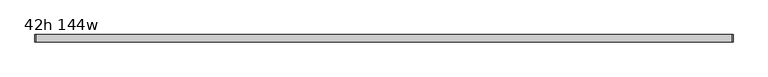
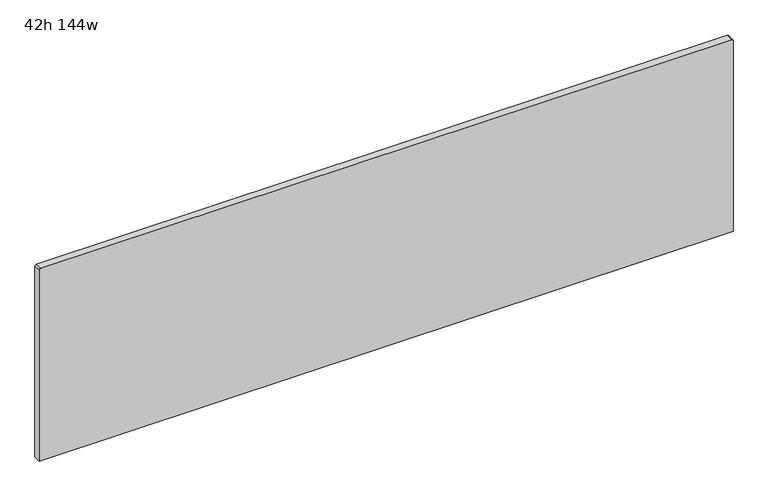
"""IFC4 building model written with IfcOpenShell, lengths in millimetres: furniture geometry, 42h 144w."""

from ifc_helpers import new_model, si_unit, point, frame, frame_2d, origin, place, context, project, spatial, polyline, circle_curve, trimmed, segment, composite_curve, outline, extrude, source, transform, mapped, element, save


def furniture_42h_144w_6010f8c1(model_context):
    return source(origin(), model_context, "Body", "SweptSolid", [
        extrude(outline(composite_curve([segment(polyline([(1066.8, 1781.8479564), (1066.8, -1847.1770436)]), True, "CONTINUOUS"), segment(trimmed(circle_curve(frame_2d((1058.8625, -1847.1770436)), 7.9375), [point((1066.8, -1847.1770436))], [point((1058.8625, -1855.1145436))], False, "CARTESIAN"), True, "CONTINUOUS"), segment(polyline([(1058.8625, -1855.1145436), (0.0, -1855.1145436), (0.0, 1789.7854564), (1058.8625, 1789.7854564)]), True, "CONTINUOUS"), segment(trimmed(circle_curve(frame_2d((1058.8625, 1781.8479564)), 7.9375), [point((1058.8625, 1789.7854564))], [point((1066.8, 1781.8479564))], False, "CARTESIAN"), True, "CONTINUOUS")], self_intersect=False)), frame((0.0, -19.05, 0.0), z_axis=(0.0, 1.0, 0.0), x_axis=(0.0, 0.0, 1.0)), (0.0, 0.0, 1.0), 38.1),
    ])


if __name__ == "__main__":
    model = new_model("IFC4")
    model_context = context("Model", 3, world=origin())
    ifc_project = project(units=[si_unit("LENGTHUNIT", "METRE", prefix="MILLI")], contexts=[model_context])
    site = spatial("IfcSite", under=ifc_project)
    building = spatial("IfcBuilding", under=site)
    placement = place(None, origin())
    furniture_42h_144w_shape = furniture_42h_144w_6010f8c1(model_context)
    element("IfcFurniture", 1, ObjectType="42h 144w", at=placement, inside=building, context=model_context, shape_type="MappedRepresentation", body=[
        mapped(furniture_42h_144w_shape, transform((0.0, 0.0, 0.0), x_axis=(1.0, 0.0, 0.0), y_axis=(0.0, 1.0, 0.0), z_axis=(0.0, 0.0, 1.0))),
    ])
    save(model, "model.ifc")
